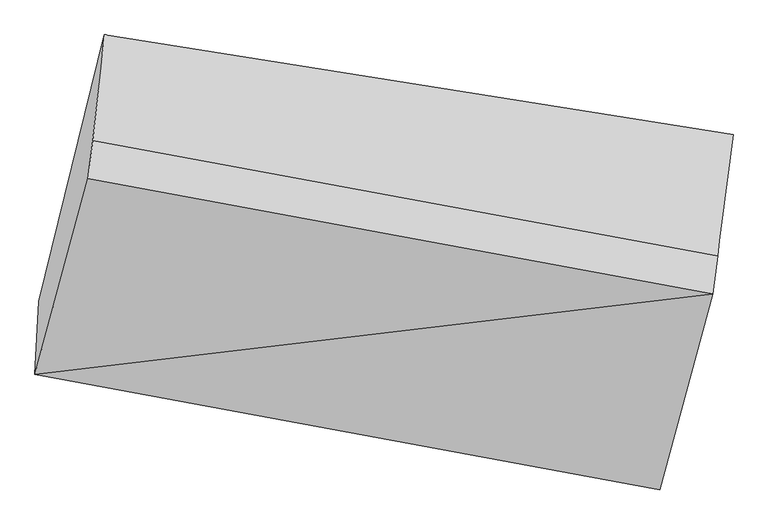
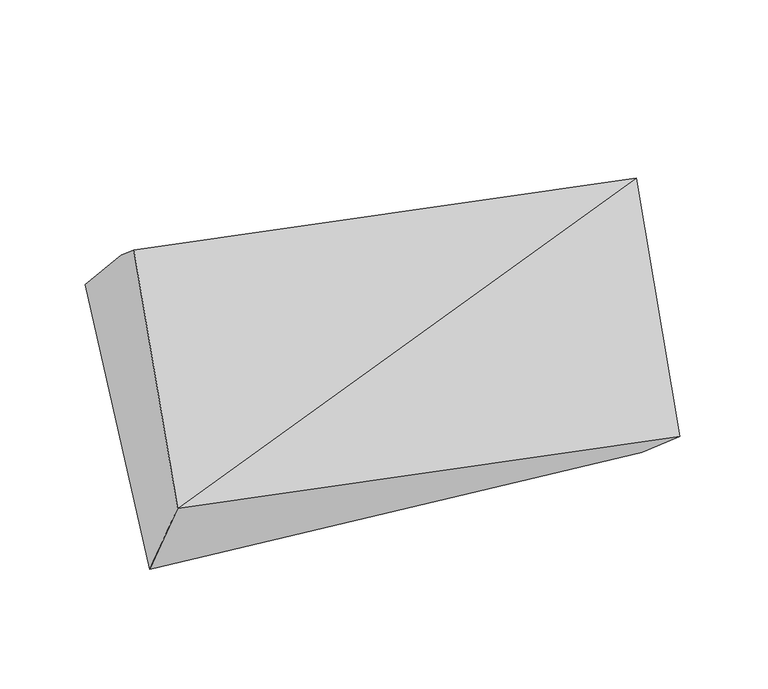
"""IFC4 building model written with IfcOpenShell, lengths in millimetres: proxy geometry."""

from ifc_helpers import new_model, si_unit, frame, origin, place, context, project, spatial, source, transform, mapped, element, save
from ifc_brep_helpers import plane_surface, spline_surface, advanced_brep


def generic_models_85ced7d0(model_context):
    return source(origin(), model_context, "Body", "AdvancedBrep", [
        advanced_brep(
        [(-3860.5011201, -1760.2270381, 1782.7967806), (-3848.859836, -1548.2489912, 1392.3794143), (-2005.3131612, -1761.3329871, 1369.5097896), (-2046.9174265, -2095.3735922, 1654.9047518), (-3706.4334774, -1190.990585, 2475.8573998), (-1892.8497838, -1526.1371391, 2347.9653709), (-3692.5495332, -1079.847741, 2381.4852438), (-1878.9658396, -1414.9942951, 2253.593215), (-3658.6056155, -773.1953772, 2059.2341412), (-1833.8168223, -1062.694834, 1970.6167922)],
        [
            (0, 1),
            (1, 2),
            (2, 3),
            (3, 0),
            (4, 0),
            (0, 5),
            (5, 4),
            (6, 4),
            (5, 7),
            (7, 6),
            (8, 6),
            (7, 9),
            (9, 8),
            (1, 8),
            (9, 2),
            (5, 3),
        ],
        [
            spline_surface(1, 1, [[(-3860.5011201, -1760.2270381, 1782.7967806), (-2046.9174265, -2095.3735922, 1654.9047518)], [(-3848.859836, -1548.2489912, 1392.3794143), (-2005.3131612, -1761.3329871, 1369.5097896)]], [2, 2], [2, 2], [0.0, 1.0], [0.0, 1.0]),
            plane_surface(frame((-3783.4672987, -1475.6088115, 2129.3270902), z_axis=(-0.09479447319786966, -0.7588425339042674, 0.6443384332700397), x_axis=(-0.1693051018322391, -0.6255345639139182, -0.761605076035211))),
            plane_surface(frame((-3699.4915053, -1135.419163, 2428.6713218), z_axis=(0.1693051018424245, 0.6255345639119116, 0.7616050760345949), x_axis=(-0.09479447319781824, -0.7588425339043819, 0.6443384332699121))),
            spline_surface(1, 1, [[(-3658.6056155, -773.1953772, 2059.2341412), (-1833.8168223, -1062.694834, 1970.6167922)], [(-3692.5495332, -1079.847741, 2381.4852438), (-1878.9658396, -1414.9942951, 2253.593215)]], [2, 2], [2, 2], [0.0, 1.0], [0.0, 1.0]),
            plane_surface(frame((-3753.7327258, -1160.7221842, 1725.8067777), z_axis=(0.06468659034494896, 0.6416752072009247, -0.7642437919232288), x_axis=(0.1829367505163956, 0.7452438596685657, 0.6412064682587049))),
            plane_surface(frame((-1931.5726067, -1572.1065695, 1919.3179839), z_axis=(0.9809942865990847, -0.18128573603554582, -0.0691786930348024), x_axis=(-0.09479447319781824, -0.7588425339043819, 0.6443384332699121))),
            plane_surface(frame((-3753.3899164, -1270.5019465, 2018.350596), z_axis=(-0.9809942866019974, 0.18128573602251513, 0.06917869302764776), x_axis=(-0.02619520539672717, -0.47699278432840736, 0.8785167584701256))),
            plane_surface(frame((-3860.5011201, -1760.2270381, 1782.7967806), z_axis=(-0.0947944731978185, -0.758842533904384, 0.6443384332699098), x_axis=(-0.16930510184604902, -0.6255345639112394, -0.7616050760343412))),
        ],
        [
            (0, [[1, 2, 3, 4]]),
            (1, [[5, 6, 7]]),
            (2, [[8, -7, 9, 10]]),
            (3, [[11, -10, 12, 13]]),
            (4, [[14, -13, 15, -2]]),
            (5, [[-9, 16, -3, -15, -12]]),
            (6, [[-1, -5, -8, -11, -14]]),
            (7, [[-16, -6, -4]]),
        ],
    ),
    ])


if __name__ == "__main__":
    model = new_model("IFC4")
    model_context = context("Model", 3, world=origin())
    ifc_project = project(units=[si_unit("LENGTHUNIT", "METRE", prefix="MILLI")], contexts=[model_context])
    site = spatial("IfcSite", under=ifc_project)
    building = spatial("IfcBuilding", under=site)
    placement = place(None, origin())
    generic_models_shape = generic_models_85ced7d0(model_context)
    element("IfcBuildingElementProxy", 1, Name="Generic Models", at=placement, inside=building, context=model_context, shape_type="MappedRepresentation", body=[
        mapped(generic_models_shape, transform((0.0, 0.0, 0.0), x_axis=(1.0, 0.0, 0.0), y_axis=(0.0, 1.0, 0.0), z_axis=(0.0, 0.0, 1.0))),
    ])
    save(model, "model.ifc")
